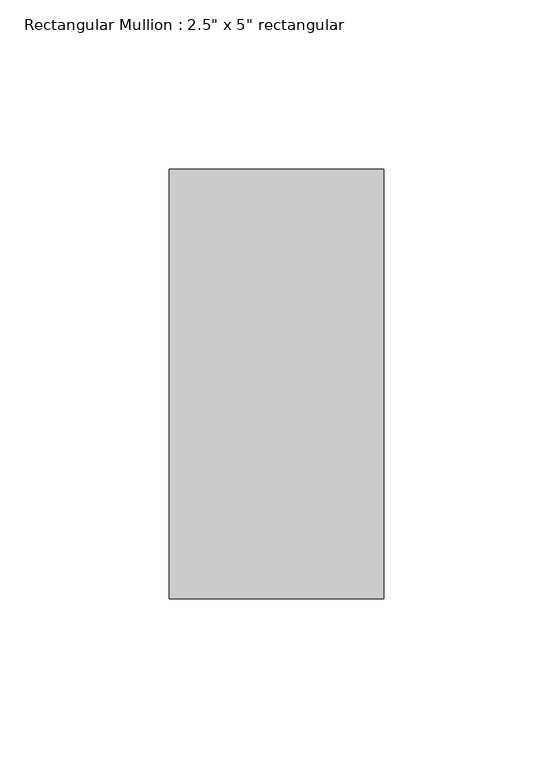
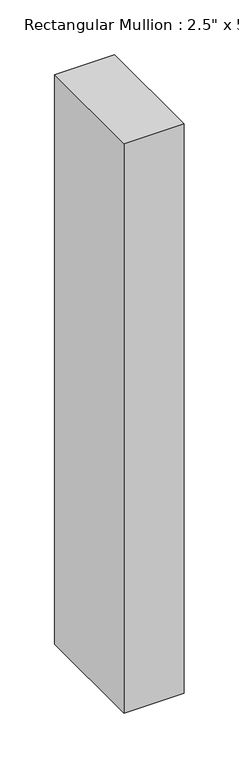
"""IFC4 building model written with IfcOpenShell, lengths in millimetres: member geometry."""

from ifc_helpers import new_model, si_unit, frame, origin, place, context, project, spatial, polyline, outline, extrude, source, transform, mapped, element, save


def member_12300432(model_context):
    return source(origin(), model_context, "Body", "SweptSolid", [
        extrude(outline(polyline([(31.75, 63.5), (31.75, -63.5), (-31.75, -63.5), (-31.75, 63.5), (31.75, 63.5)])), frame((0.0, 0.0, -635.0), z_axis=(0.0, 0.0, 1.0), x_axis=(1.0, 0.0, 0.0)), (0.0, 0.0, 1.0), 635.0),
    ])


if __name__ == "__main__":
    model = new_model("IFC4")
    model_context = context("Model", 3, world=origin())
    ifc_project = project(units=[si_unit("LENGTHUNIT", "METRE", prefix="MILLI")], contexts=[model_context])
    site = spatial("IfcSite", under=ifc_project)
    building = spatial("IfcBuilding", under=site)
    placement = place(None, origin())
    member_shape = member_12300432(model_context)
    element("IfcMember", 1, ObjectType="Rectangular Mullion : 2.5\" x 5\" rectangular", at=placement, inside=building, context=model_context, shape_type="MappedRepresentation", body=[
        mapped(member_shape, transform((0.0, 0.0, 0.0), x_axis=(1.0, 0.0, 0.0), y_axis=(0.0, 1.0, 0.0), z_axis=(0.0, 0.0, 1.0))),
    ])
    save(model, "model.ifc")
